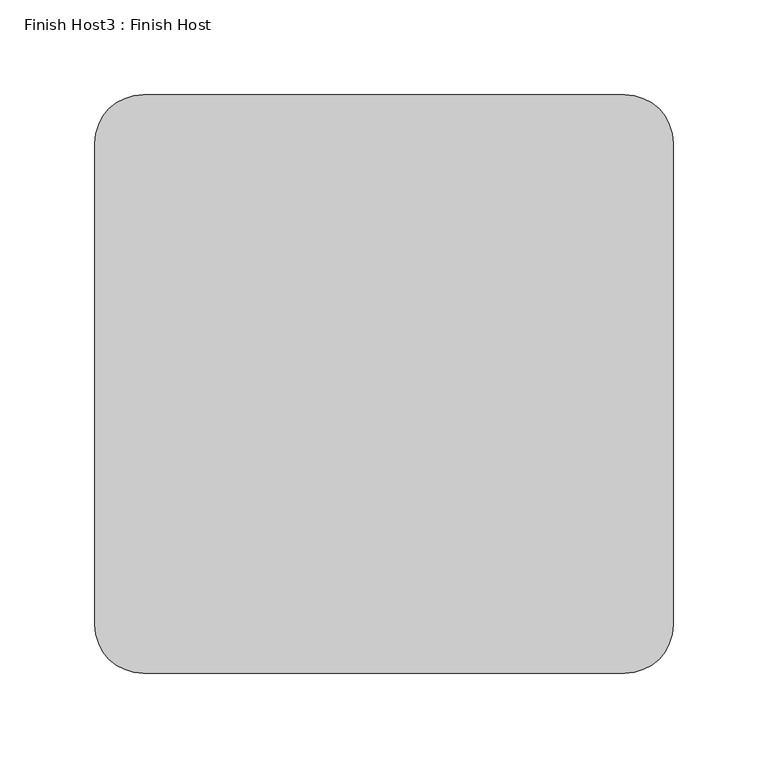
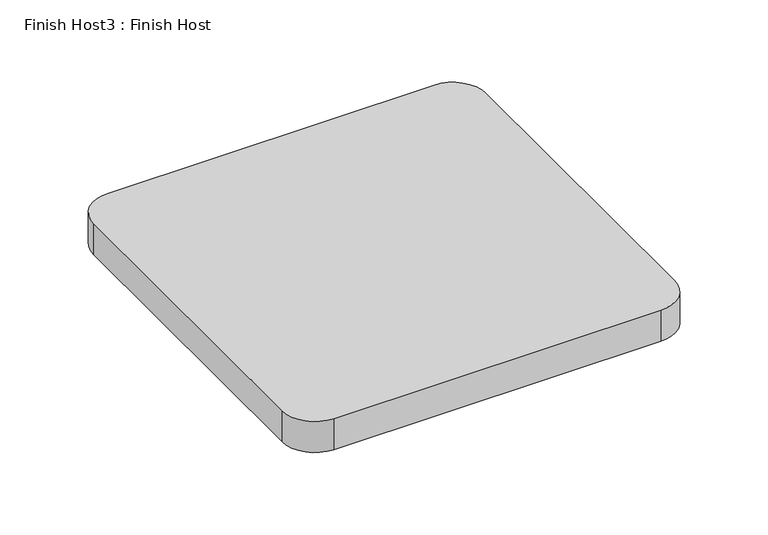
"""IFC4 building model written with IfcOpenShell, lengths in millimetres: proxy geometry, Finish Host3 : Finish Host."""

from ifc_helpers import new_model, si_unit, point, frame_2d, origin, origin_with_axes, place, context, project, spatial, polyline, circle_curve, trimmed, segment, composite_curve, outline, extrude, source, transform, mapped, element, save


def finish_host3_finish_host_8b5ddf8c(model_context):
    return source(origin(), model_context, "Body", "SweptSolid", [
        extrude(outline(composite_curve([segment(polyline([(1953.0934426, 1206.8122951), (1953.0934426, 1460.8122951)]), True, "CONTINUOUS"), segment(trimmed(circle_curve(frame_2d((1978.4934426, 1460.8122951)), 25.4), [point((1953.0934426, 1460.8122951))], [point((1978.4934426, 1486.2122951))], False, "CARTESIAN"), True, "CONTINUOUS"), segment(polyline([(1978.4934426, 1486.2122951), (2232.4934426, 1486.2122951)]), True, "CONTINUOUS"), segment(trimmed(circle_curve(frame_2d((2232.4934426, 1460.8122951)), 25.4), [point((2232.4934426, 1486.2122951))], [point((2257.8934426, 1460.8122951))], False, "CARTESIAN"), True, "CONTINUOUS"), segment(polyline([(2257.8934426, 1460.8122951), (2257.8934426, 1206.8122951)]), True, "CONTINUOUS"), segment(trimmed(circle_curve(frame_2d((2232.4934426, 1206.8122951)), 25.4), [point((2257.8934426, 1206.8122951))], [point((2232.4934426, 1181.4122951))], False, "CARTESIAN"), True, "CONTINUOUS"), segment(polyline([(2232.4934426, 1181.4122951), (1978.4934426, 1181.4122951)]), True, "CONTINUOUS"), segment(trimmed(circle_curve(frame_2d((1978.4934426, 1206.8122951)), 25.4), [point((1978.4934426, 1181.4122951))], [point((1953.0934426, 1206.8122951))], False, "CARTESIAN"), True, "CONTINUOUS")], self_intersect=False)), origin_with_axes(), (0.0, 0.0, 1.0), 25.4),
    ])


if __name__ == "__main__":
    model = new_model("IFC4")
    model_context = context("Model", 3, world=origin())
    ifc_project = project(units=[si_unit("LENGTHUNIT", "METRE", prefix="MILLI")], contexts=[model_context])
    site = spatial("IfcSite", under=ifc_project)
    building = spatial("IfcBuilding", under=site)
    placement = place(None, origin())
    finish_host3_finish_host_shape = finish_host3_finish_host_8b5ddf8c(model_context)
    element("IfcBuildingElementProxy", 1, Name="Finish Host3 : Finish Host", ObjectType="Finish Host3 : Finish Host", at=placement, inside=building, context=model_context, shape_type="MappedRepresentation", body=[
        mapped(finish_host3_finish_host_shape, transform((0.0, 0.0, 0.0), x_axis=(1.0, 0.0, 0.0), y_axis=(0.0, 1.0, 0.0), z_axis=(0.0, 0.0, 1.0))),
    ])
    save(model, "model.ifc")
